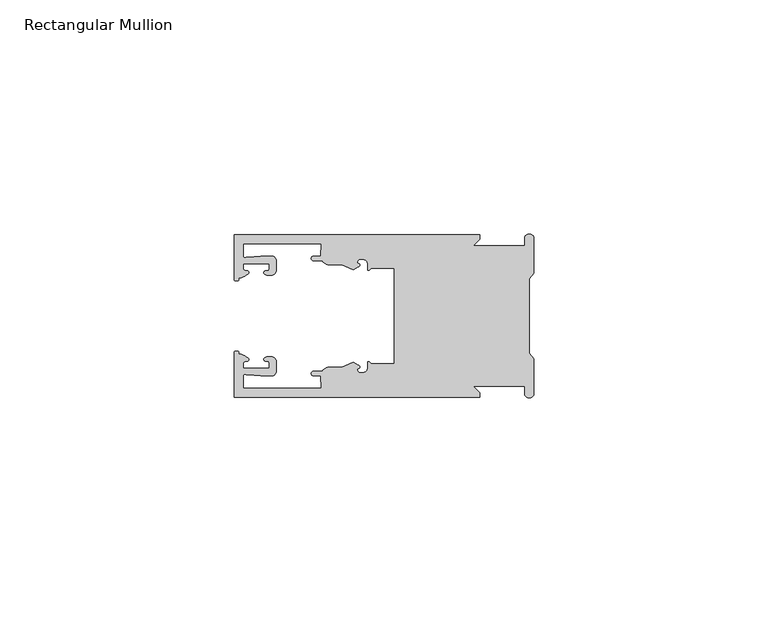
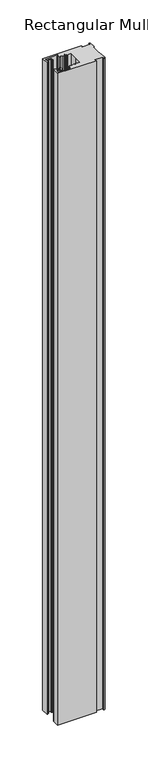
"""IFC4 building model written with IfcOpenShell, lengths in millimetres: member geometry, Rectangular Mullion."""

from ifc_helpers import new_model, si_unit, frame, origin, place, context, project, spatial, polyline, circle_curve, source, transform, mapped, element, save
from ifc_brep_helpers import plane_surface, cylinder_surface, revolved_surface, extruded_surface, spline_curve, advanced_brep


def rectangular_mullion_1d11fed4(model_context):
    return source(origin(), model_context, "Body", "AdvancedBrep", [
        advanced_brep(
        [(-11.5387897, 17.4000478, 0.0), (-64.0387868, 17.4000478, 0.0), (-64.0387868, 7.8350057, 0.0), (-63.2884687, 7.5412947, 0.0), (-62.4614154, 8.1921895, 0.0), (-62.0410649, 9.9426451, 0.0), (-62.0424168, 11.1926444, 0.0), (-56.54242, 11.1985924, 0.0), (-56.5410682, 9.9485931, 0.0), (-57.1085345, 8.7314723, 0.0), (-56.0397166, 8.6991345, 0.0), (-55.0407987, 9.7002154, 0.0), (-55.0430697, 11.8002142, 0.0), (-56.0446364, 12.7991315, 0.0), (-58.3650753, 12.7954945, 0.0), (-61.1340054, 12.5502269, 0.0), (-62.044093, 12.7426435, 0.0), (-62.0469668, 15.4000478, 0.0), (-45.4240312, 15.4000478, 0.0), (-45.5732135, 12.8000478, 0.0), (-47.0387868, 12.8000478, 0.0), (-47.0387868, 11.8000478, 0.0), (-45.2543363, 11.8000478, 0.0), (-43.6387868, 10.9000478, 0.0), (-41.0454034, 10.9000478, 0.0), (-38.5697136, 9.8718293, 0.0), (-37.5387868, 10.4670351, 0.0), (-37.6803436, 11.4201497, 0.0), (-37.0270763, 12.1583697, 0.0), (-36.2010815, 12.0127245, 0.0), (-35.54, 11.2248783, 0.0), (-35.54, 10.0, 0.0), (-34.7705791, 10.25, 0.0), (-29.79, 10.25, 0.0), (-29.79, 0.0, 0.0), (-29.79, -10.25, 0.0), (-34.7705791, -10.25, 0.0), (-35.54, -10.0, 0.0), (-35.54, -11.2248783, 0.0), (-36.2010815, -12.0127245, 0.0), (-37.0270763, -12.1583697, 0.0), (-37.6803436, -11.4201497, 0.0), (-37.5387868, -10.4670351, 0.0), (-38.5697136, -9.8718293, 0.0), (-41.0454034, -10.9000478, 0.0), (-43.6387868, -10.9000478, 0.0), (-45.2543363, -11.8000478, 0.0), (-47.0387868, -11.8000478, 0.0), (-47.0387868, -12.8000478, 0.0), (-45.5732135, -12.8000478, 0.0), (-45.4240312, -15.4000478, 0.0), (-62.0469668, -15.4000478, 0.0), (-62.044093, -12.7426435, 0.0), (-61.1340054, -12.5502269, 0.0), (-58.3650753, -12.7954945, 0.0), (-56.0446364, -12.7991314, 0.0), (-55.0430697, -11.8002142, 0.0), (-55.0407987, -9.7002154, 0.0), (-56.0397166, -8.6991345, 0.0), (-57.1085345, -8.7314723, 0.0), (-56.5410682, -9.9485931, 0.0), (-56.54242, -11.1985924, 0.0), (-62.0424168, -11.1926444, 0.0), (-62.0410649, -9.9426451, 0.0), (-62.4614154, -8.1921895, 0.0), (-63.2884687, -7.5412947, 0.0), (-64.0387868, -7.8350057, 0.0), (-64.0387868, -17.4000478, 0.0), (-11.5387897, -17.4000478, 0.0), (-11.5387897, -16.4000449, 0.0), (-12.9388346, -15.0, 0.0), (-2.0, -15.0, 0.0), (-2.0, -16.5, 0.0), (0.0, -16.5, 0.0), (0.0, -9.1160254, 0.0), (-1.0, -7.9613249, 0.0), (-1.0, 0.0, 0.0), (-1.0, 7.9613249, 0.0), (0.0, 9.1160254, 0.0), (0.0, 16.5, 0.0), (-2.0, 16.5, 0.0), (-2.0, 15.0, 0.0), (-12.9388346, 15.0, 0.0), (-11.5387897, 16.4000449, 0.0), (-11.5387897, 17.4000478, -927.6387868), (-11.5387897, 16.4000449, -927.6387868), (-12.9388346, 15.0, -927.6387868), (-2.0, 15.0, -927.6387868), (-2.0, 16.5, -927.6387868), (0.0, 16.5, -927.6387868), (0.0, 9.1160254, -927.6387868), (-1.0, 7.9613249, -927.6387868), (-1.0, 0.0, -927.6387868), (-1.0, -7.9613249, -927.6387868), (0.0, -9.1160254, -927.6387868), (0.0, -16.5, -927.6387868), (-2.0, -16.5, -927.6387868), (-2.0, -15.0, -927.6387868), (-12.9388346, -15.0, -927.6387868), (-11.5387897, -16.4000449, -927.6387868), (-11.5387897, -17.4000478, -927.6387868), (-64.0387868, -17.4000478, -927.6387868), (-64.0387868, -7.8350057, -927.6387868), (-63.2884687, -7.5412947, -927.6387868), (-62.4614154, -8.1921895, -927.6387868), (-62.0410649, -9.9426451, -927.6387868), (-62.0424168, -11.1926444, -927.6387868), (-56.54242, -11.1985924, -927.6387868), (-56.5410682, -9.9485931, -927.6387868), (-57.1085345, -8.7314723, -927.6387868), (-56.0397166, -8.6991345, -927.6387868), (-55.0407987, -9.7002154, -927.6387868), (-55.0430697, -11.8002142, -927.6387868), (-56.0446364, -12.7991315, -927.6387868), (-58.3650753, -12.7954945, -927.6387868), (-61.1340054, -12.5502269, -927.6387868), (-62.044093, -12.7426435, -927.6387868), (-62.0469668, -15.4000478, -927.6387868), (-45.4240312, -15.4000478, -927.6387868), (-45.5732135, -12.8000478, -927.6387868), (-47.0387868, -12.8000478, -927.6387868), (-47.0387868, -11.8000478, -927.6387868), (-45.2543363, -11.8000478, -927.6387868), (-43.6387868, -10.9000478, -927.6387868), (-41.0454034, -10.9000478, -927.6387868), (-38.5697136, -9.8718293, -927.6387868), (-37.5387868, -10.4670351, -927.6387868), (-37.6803436, -11.4201497, -927.6387868), (-37.0270763, -12.1583697, -927.6387868), (-36.2010815, -12.0127245, -927.6387868), (-35.54, -11.2248783, -927.6387868), (-35.54, -10.0, -927.6387868), (-34.7705791, -10.25, -927.6387868), (-29.79, -10.25, -927.6387868), (-29.79, 0.0, -927.6387868), (-29.79, 10.25, -927.6387868), (-34.7705791, 10.25, -927.6387868), (-35.54, 10.0, -927.6387868), (-35.54, 11.2248783, -927.6387868), (-36.2010815, 12.0127245, -927.6387868), (-37.0270763, 12.1583697, -927.6387868), (-37.6803436, 11.4201497, -927.6387868), (-37.5387868, 10.4670351, -927.6387868), (-38.5697136, 9.8718293, -927.6387868), (-41.0454034, 10.9000478, -927.6387868), (-43.6387868, 10.9000478, -927.6387868), (-45.2543363, 11.8000478, -927.6387868), (-47.0387868, 11.8000478, -927.6387868), (-47.0387868, 12.8000478, -927.6387868), (-45.5732135, 12.8000478, -927.6387868), (-45.4240312, 15.4000478, -927.6387868), (-62.0469668, 15.4000478, -927.6387868), (-62.044093, 12.7426435, -927.6387868), (-61.1340054, 12.5502269, -927.6387868), (-58.3650753, 12.7954945, -927.6387868), (-56.0446364, 12.7991314, -927.6387868), (-55.0430697, 11.8002142, -927.6387868), (-55.0407987, 9.7002154, -927.6387868), (-56.0397166, 8.6991345, -927.6387868), (-57.1085345, 8.7314723, -927.6387868), (-56.5410682, 9.9485931, -927.6387868), (-56.54242, 11.1985924, -927.6387868), (-62.0424168, 11.1926444, -927.6387868), (-62.0410649, 9.9426451, -927.6387868), (-62.4614154, 8.1921895, -927.6387868), (-63.2884687, 7.5412947, -927.6387868), (-64.0387868, 7.8350057, -927.6387868), (-64.0387868, 17.4000478, -927.6387868)],
        [
            (0, 1),
            (1, 2),
            (2, 3, spline_curve(3, [(-64.0387868, 7.8350057, 0.0), (-64.038491377, 7.561831774, 0.0), (-63.788385325, 7.463928087, 0.0), (-63.2884687, 7.5412947, 0.0)], [4, 4], [0.0, 0.0019169337574178654])),
            (3, 4, spline_curve(3, [(-63.2884687, 7.5412947, 0.0), (-63.057760917, 7.582232011, 0.0), (-63.018445067, 7.725390894, 0.0), (-63.019925494, 8.056436881, 0.0), (-63.103444208, 8.236386866, 0.0), (-62.4614154, 8.1921895, 0.0)], [4, 2, 4], [0.0, 0.0010199524164107188, 0.0024874514725970356])),
            (4, 5, spline_curve(3, [(-62.4614154, 8.1921895, 0.0), (-60.988497673, 8.880962536, 0.0), (-60.794045122, 9.192776957, 0.0), (-60.949808078, 9.57023562, 0.0), (-61.145214014, 9.682771697, 0.0), (-61.665835706, 9.714019003, 0.0), (-61.965242574, 9.660891484, 0.0), (-62.0410649, 9.9426451, 0.0)], [4, 2, 2, 4], [0.0, 0.003269869179570428, 0.005490050486237203, 0.0073545767114364426])),
            (5, 6),
            (6, 7),
            (7, 8),
            (8, 9, spline_curve(3, [(-56.5410682, 9.9485931, 0.0), (-56.634838635, 9.597117104, 0.0), (-56.904956774, 9.698238818, 0.0), (-57.324171444, 9.731086209, 0.0), (-57.45969165, 9.646199885, 0.0), (-57.729003352, 9.346016011, 0.0), (-57.859492582, 9.113082158, 0.0), (-57.1085345, 8.7314723, 0.0)], [4, 2, 2, 4], [0.0, 0.001593963049934732, 0.0033360256320283306, 0.005339140673503943])),
            (9, 10),
            (10, 11, circle_curve(frame((-56.0407981, 9.699134, 0.0), z_axis=(0.0, 0.0, 1.0), x_axis=(0.0010814451158627505, -0.9999994152380598, 0.0)), 1.0)),
            (11, 12),
            (12, 13, circle_curve(frame((-56.0430691, 11.7991327, 0.0), z_axis=(0.0, 0.0, 1.0), x_axis=(0.0010814451158627505, -0.9999994152380598, 0.0)), 1.0)),
            (13, 14),
            (14, 15),
            (15, 16, spline_curve(3, [(-61.1340054, 12.5502269, 0.0), (-61.605485428, 12.508463911, 0.0), (-61.992111419, 12.303164326, 0.0), (-62.044093, 12.7426435, 0.0)], [4, 4], [0.0, 0.0014803385355886016])),
            (16, 17),
            (17, 18),
            (18, 19),
            (19, 20),
            (20, 21, circle_curve(frame((-47.0387868, 12.3000478, 0.0), z_axis=(0.0, 0.0, 1.0), x_axis=(0.0, -1.0, 0.0)), 0.5)),
            (21, 22),
            (22, 23, circle_curve(frame((-43.6387868, 12.8000478, 0.0), z_axis=(0.0, 0.0, 1.0), x_axis=(0.0, -1.0, 0.0)), 1.9)),
            (23, 24),
            (24, 25),
            (25, 26),
            (26, 27, spline_curve(3, [(-37.5387868, 10.4670351, 0.0), (-36.973919853, 10.833863985, 0.0), (-37.198159645, 11.135696286, 0.0), (-37.587892011, 11.260246073, 0.0), (-37.754584192, 11.180452419, 0.0), (-37.6803436, 11.4201497, 0.0)], [4, 2, 4], [0.0, 0.0019283703160353726, 0.003394584635652914])),
            (27, 28, circle_curve(frame((-37.0434863, 11.5147359, 0.0), z_axis=(0.0, 0.0, -1.0), x_axis=(0.0, -1.0, 0.0)), 0.643843)),
            (28, 29),
            (29, 30, circle_curve(frame((-36.34, 11.2248783, 0.0), z_axis=(0.0, 0.0, -1.0), x_axis=(0.0, -1.0, 0.0)), 0.8)),
            (30, 31),
            (31, 32, spline_curve(3, [(-35.54, 10.0, 0.0), (-35.440000238, 9.598293201, 0.0), (-35.183526594, 9.681626535, 0.0), (-34.7705791, 10.25, 0.0)], [4, 4], [0.0, 0.0027473296990141553])),
            (32, 33),
            (33, 34),
            (34, 35),
            (35, 36),
            (36, 37, spline_curve(3, [(-34.7705791, -10.25, 0.0), (-35.183526594, -9.681626535, 0.0), (-35.440000238, -9.598293201, 0.0), (-35.54, -10.0, 0.0)], [4, 4], [0.0, 0.0027473296990141553])),
            (37, 38),
            (38, 39, circle_curve(frame((-36.34, -11.2248783, 0.0), z_axis=(0.0, 0.0, -1.0), x_axis=(0.0, 1.0, 0.0)), 0.8)),
            (39, 40),
            (40, 41, circle_curve(frame((-37.0434863, -11.5147359, 0.0), z_axis=(0.0, 0.0, -1.0), x_axis=(0.0, 1.0, 0.0)), 0.643843)),
            (41, 42, spline_curve(3, [(-37.6803436, -11.4201497, 0.0), (-37.754584192, -11.180452419, 0.0), (-37.587892011, -11.260246073, 0.0), (-37.198159645, -11.135696286, 0.0), (-36.973919853, -10.833863985, 0.0), (-37.5387868, -10.4670351, 0.0)], [4, 2, 4], [0.0, 0.0014662143196175414, 0.003394584635652914])),
            (42, 43),
            (43, 44),
            (44, 45),
            (45, 46, circle_curve(frame((-43.6387868, -12.8000478, 0.0), z_axis=(0.0, 0.0, 1.0), x_axis=(0.0, 1.0, 0.0)), 1.9)),
            (46, 47),
            (47, 48, circle_curve(frame((-47.0387868, -12.3000478, 0.0), z_axis=(0.0, 0.0, 1.0), x_axis=(0.0, 1.0, 0.0)), 0.5)),
            (48, 49),
            (49, 50),
            (50, 51),
            (51, 52),
            (52, 53, spline_curve(3, [(-62.044093, -12.7426435, 0.0), (-61.992111419, -12.303164326, 0.0), (-61.605485428, -12.508463911, 0.0), (-61.1340054, -12.5502269, 0.0)], [4, 4], [0.0, 0.0014803385355886016])),
            (53, 54),
            (54, 55),
            (55, 56, circle_curve(frame((-56.0430691, -11.7991327, 0.0), z_axis=(0.0, 0.0, 1.0), x_axis=(0.001081445115855867, 0.9999994152380598, 0.0)), 1.0)),
            (56, 57),
            (57, 58, circle_curve(frame((-56.0407981, -9.699134, 0.0), z_axis=(0.0, 0.0, 1.0), x_axis=(0.001081445115855867, 0.9999994152380598, 0.0)), 1.0)),
            (58, 59),
            (59, 60, spline_curve(3, [(-57.1085345, -8.7314723, 0.0), (-57.859492582, -9.113082158, 0.0), (-57.729003352, -9.346016011, 0.0), (-57.45969165, -9.646199885, 0.0), (-57.324171444, -9.731086209, 0.0), (-56.904956774, -9.698238818, 0.0), (-56.634838635, -9.597117104, 0.0), (-56.5410682, -9.9485931, 0.0)], [4, 2, 2, 4], [0.0, 0.002003115041475612, 0.0037451776235692107, 0.005339140673503943])),
            (60, 61),
            (61, 62),
            (62, 63),
            (63, 64, spline_curve(3, [(-62.0410649, -9.9426451, 0.0), (-61.965242574, -9.660891484, 0.0), (-61.665835706, -9.714019003, 0.0), (-61.145214014, -9.682771697, 0.0), (-60.949808078, -9.57023562, 0.0), (-60.794045122, -9.192776957, 0.0), (-60.988497673, -8.880962536, 0.0), (-62.4614154, -8.1921895, 0.0)], [4, 2, 2, 4], [0.0, 0.0018645262251992395, 0.004084707531866015, 0.0073545767114364426])),
            (64, 65, spline_curve(3, [(-62.4614154, -8.1921895, 0.0), (-63.103444208, -8.236386866, 0.0), (-63.019925494, -8.056436881, 0.0), (-63.018445067, -7.725390894, 0.0), (-63.057760917, -7.582232011, 0.0), (-63.2884687, -7.5412947, 0.0)], [4, 2, 4], [0.0, 0.0014674990561863168, 0.0024874514725970356])),
            (65, 66, spline_curve(3, [(-63.2884687, -7.5412947, 0.0), (-63.788385325, -7.463928087, 0.0), (-64.038491377, -7.561831774, 0.0), (-64.0387868, -7.8350057, 0.0)], [4, 4], [0.0, 0.0019169337574178654])),
            (66, 67),
            (67, 68),
            (68, 69),
            (69, 70),
            (70, 71),
            (71, 72),
            (72, 73, circle_curve(frame((-1.0, -16.5, 0.0), z_axis=(0.0, 0.0, 1.0), x_axis=(0.0, 1.0, 0.0)), 1.0)),
            (73, 74),
            (74, 75),
            (75, 76),
            (76, 77),
            (77, 78),
            (78, 79),
            (79, 80, circle_curve(frame((-1.0, 16.5, 0.0), z_axis=(0.0, 0.0, 1.0), x_axis=(0.0, -1.0, 0.0)), 1.0)),
            (80, 81),
            (81, 82),
            (82, 83),
            (83, 0),
            (84, 85),
            (85, 86),
            (86, 87),
            (87, 88),
            (88, 89, circle_curve(frame((-1.0, 16.5, -927.6387868), z_axis=(0.0, 0.0, -1.0), x_axis=(0.0, -1.0, 0.0)), 1.0)),
            (89, 90),
            (90, 91),
            (91, 92),
            (92, 93),
            (93, 94),
            (94, 95),
            (95, 96, circle_curve(frame((-1.0, -16.5, -927.6387868), z_axis=(0.0, 0.0, -1.0), x_axis=(0.0, 1.0, 0.0)), 1.0)),
            (96, 97),
            (97, 98),
            (98, 99),
            (99, 100),
            (100, 101),
            (101, 102),
            (102, 103, spline_curve(3, [(-64.0387868, -7.8350057, -927.6387868), (-64.038491377, -7.561831774, -927.6387868), (-63.788385325, -7.463928087, -927.6387868), (-63.2884687, -7.5412947, -927.6387868)], [4, 4], [0.0, 0.0019169337574178654])),
            (103, 104, spline_curve(3, [(-63.2884687, -7.5412947, -927.6387868), (-63.057760917, -7.582232011, -927.6387868), (-63.018445067, -7.725390894, -927.6387868), (-63.019925494, -8.056436881, -927.6387868), (-63.103444208, -8.236386866, -927.6387868), (-62.4614154, -8.1921895, -927.6387868)], [4, 2, 4], [0.0, 0.0010199524164107188, 0.0024874514725970356])),
            (104, 105, spline_curve(3, [(-62.4614154, -8.1921895, -927.6387868), (-60.988497673, -8.880962536, -927.6387868), (-60.794045122, -9.192776957, -927.6387868), (-60.949808078, -9.57023562, -927.6387868), (-61.145214014, -9.682771697, -927.6387868), (-61.665835706, -9.714019003, -927.6387868), (-61.965242574, -9.660891484, -927.6387868), (-62.0410649, -9.9426451, -927.6387868)], [4, 2, 2, 4], [0.0, 0.003269869179570428, 0.005490050486237203, 0.0073545767114364426])),
            (105, 106),
            (106, 107),
            (107, 108),
            (108, 109, spline_curve(3, [(-56.5410682, -9.9485931, -927.6387868), (-56.634838635, -9.597117104, -927.6387868), (-56.904956774, -9.698238818, -927.6387868), (-57.324171444, -9.731086209, -927.6387868), (-57.45969165, -9.646199885, -927.6387868), (-57.729003352, -9.346016011, -927.6387868), (-57.859492582, -9.113082158, -927.6387868), (-57.1085345, -8.7314723, -927.6387868)], [4, 2, 2, 4], [0.0, 0.001593963049934732, 0.0033360256320283306, 0.005339140673503943])),
            (109, 110),
            (110, 111, circle_curve(frame((-56.0407981, -9.699134, -927.6387868), z_axis=(0.0, 0.0, -1.0), x_axis=(0.001081445115855867, 0.9999994152380598, 0.0)), 1.0)),
            (111, 112),
            (112, 113, circle_curve(frame((-56.0430691, -11.7991327, -927.6387868), z_axis=(0.0, 0.0, -1.0), x_axis=(0.001081445115855867, 0.9999994152380598, 0.0)), 1.0)),
            (113, 114),
            (114, 115),
            (115, 116, spline_curve(3, [(-61.1340054, -12.5502269, -927.6387868), (-61.605485428, -12.508463911, -927.6387868), (-61.992111419, -12.303164326, -927.6387868), (-62.044093, -12.7426435, -927.6387868)], [4, 4], [0.0, 0.0014803385355886016])),
            (116, 117),
            (117, 118),
            (118, 119),
            (119, 120),
            (120, 121, circle_curve(frame((-47.0387868, -12.3000478, -927.6387868), z_axis=(0.0, 0.0, -1.0), x_axis=(0.0, 1.0, 0.0)), 0.5)),
            (121, 122),
            (122, 123, circle_curve(frame((-43.6387868, -12.8000478, -927.6387868), z_axis=(0.0, 0.0, -1.0), x_axis=(0.0, 1.0, 0.0)), 1.9)),
            (123, 124),
            (124, 125),
            (125, 126),
            (126, 127, spline_curve(3, [(-37.5387868, -10.4670351, -927.6387868), (-36.973919853, -10.833863985, -927.6387868), (-37.198159645, -11.135696286, -927.6387868), (-37.587892011, -11.260246073, -927.6387868), (-37.754584192, -11.180452419, -927.6387868), (-37.6803436, -11.4201497, -927.6387868)], [4, 2, 4], [0.0, 0.0019283703160353726, 0.003394584635652914])),
            (127, 128, circle_curve(frame((-37.0434863, -11.5147359, -927.6387868), z_axis=(0.0, 0.0, 1.0), x_axis=(0.0, 1.0, 0.0)), 0.643843)),
            (128, 129),
            (129, 130, circle_curve(frame((-36.34, -11.2248783, -927.6387868), z_axis=(0.0, 0.0, 1.0), x_axis=(0.0, 1.0, 0.0)), 0.8)),
            (130, 131),
            (131, 132, spline_curve(3, [(-35.54, -10.0, -927.6387868), (-35.440000238, -9.598293201, -927.6387868), (-35.183526594, -9.681626535, -927.6387868), (-34.7705791, -10.25, -927.6387868)], [4, 4], [0.0, 0.0027473296990141553])),
            (132, 133),
            (133, 134),
            (134, 135),
            (135, 136),
            (136, 137, spline_curve(3, [(-34.7705791, 10.25, -927.6387868), (-35.183526594, 9.681626535, -927.6387868), (-35.440000238, 9.598293201, -927.6387868), (-35.54, 10.0, -927.6387868)], [4, 4], [0.0, 0.0027473296990141553])),
            (137, 138),
            (138, 139, circle_curve(frame((-36.34, 11.2248783, -927.6387868), z_axis=(0.0, 0.0, 1.0), x_axis=(0.0, -1.0, 0.0)), 0.8)),
            (139, 140),
            (140, 141, circle_curve(frame((-37.0434863, 11.5147359, -927.6387868), z_axis=(0.0, 0.0, 1.0), x_axis=(0.0, -1.0, 0.0)), 0.643843)),
            (141, 142, spline_curve(3, [(-37.6803436, 11.4201497, -927.6387868), (-37.754584192, 11.180452419, -927.6387868), (-37.587892011, 11.260246073, -927.6387868), (-37.198159645, 11.135696286, -927.6387868), (-36.973919853, 10.833863985, -927.6387868), (-37.5387868, 10.4670351, -927.6387868)], [4, 2, 4], [0.0, 0.0014662143196175414, 0.003394584635652914])),
            (142, 143),
            (143, 144),
            (144, 145),
            (145, 146, circle_curve(frame((-43.6387868, 12.8000478, -927.6387868), z_axis=(0.0, 0.0, -1.0), x_axis=(0.0, -1.0, 0.0)), 1.9)),
            (146, 147),
            (147, 148, circle_curve(frame((-47.0387868, 12.3000478, -927.6387868), z_axis=(0.0, 0.0, -1.0), x_axis=(0.0, -1.0, 0.0)), 0.5)),
            (148, 149),
            (149, 150),
            (150, 151),
            (151, 152),
            (152, 153, spline_curve(3, [(-62.044093, 12.7426435, -927.6387868), (-61.992111419, 12.303164326, -927.6387868), (-61.605485428, 12.508463911, -927.6387868), (-61.1340054, 12.5502269, -927.6387868)], [4, 4], [0.0, 0.0014803385355886016])),
            (153, 154),
            (154, 155),
            (155, 156, circle_curve(frame((-56.0430691, 11.7991327, -927.6387868), z_axis=(0.0, 0.0, -1.0), x_axis=(0.0010814451158627505, -0.9999994152380598, 0.0)), 1.0)),
            (156, 157),
            (157, 158, circle_curve(frame((-56.0407981, 9.699134, -927.6387868), z_axis=(0.0, 0.0, -1.0), x_axis=(0.0010814451158627505, -0.9999994152380598, 0.0)), 1.0)),
            (158, 159),
            (159, 160, spline_curve(3, [(-57.1085345, 8.7314723, -927.6387868), (-57.859492582, 9.113082158, -927.6387868), (-57.729003352, 9.346016011, -927.6387868), (-57.45969165, 9.646199885, -927.6387868), (-57.324171444, 9.731086209, -927.6387868), (-56.904956774, 9.698238818, -927.6387868), (-56.634838635, 9.597117104, -927.6387868), (-56.5410682, 9.9485931, -927.6387868)], [4, 2, 2, 4], [0.0, 0.002003115041475612, 0.0037451776235692107, 0.005339140673503943])),
            (160, 161),
            (161, 162),
            (162, 163),
            (163, 164, spline_curve(3, [(-62.0410649, 9.9426451, -927.6387868), (-61.965242574, 9.660891484, -927.6387868), (-61.665835706, 9.714019003, -927.6387868), (-61.145214014, 9.682771697, -927.6387868), (-60.949808078, 9.57023562, -927.6387868), (-60.794045122, 9.192776957, -927.6387868), (-60.988497673, 8.880962536, -927.6387868), (-62.4614154, 8.1921895, -927.6387868)], [4, 2, 2, 4], [0.0, 0.0018645262251992395, 0.004084707531866015, 0.0073545767114364426])),
            (164, 165, spline_curve(3, [(-62.4614154, 8.1921895, -927.6387868), (-63.103444208, 8.236386866, -927.6387868), (-63.019925494, 8.056436881, -927.6387868), (-63.018445067, 7.725390894, -927.6387868), (-63.057760917, 7.582232011, -927.6387868), (-63.2884687, 7.5412947, -927.6387868)], [4, 2, 4], [0.0, 0.0014674990561863168, 0.0024874514725970356])),
            (165, 166, spline_curve(3, [(-63.2884687, 7.5412947, -927.6387868), (-63.788385325, 7.463928087, -927.6387868), (-64.038491377, 7.561831774, -927.6387868), (-64.0387868, 7.8350057, -927.6387868)], [4, 4], [0.0, 0.0019169337574178654])),
            (166, 167),
            (167, 84),
            (0, 84),
            (167, 1),
            (166, 2),
            (165, 3),
            (164, 4),
            (163, 5),
            (162, 6),
            (161, 7),
            (160, 8),
            (159, 9),
            (158, 10),
            (157, 11),
            (156, 12),
            (155, 13),
            (154, 14),
            (153, 15),
            (152, 16),
            (151, 17),
            (150, 18),
            (149, 19),
            (148, 20),
            (147, 21),
            (146, 22),
            (145, 23),
            (144, 24),
            (143, 25),
            (142, 26),
            (141, 27),
            (140, 28),
            (139, 29),
            (138, 30),
            (137, 31),
            (136, 32),
            (135, 33),
            (134, 34),
            (133, 35),
            (132, 36),
            (131, 37),
            (130, 38),
            (129, 39),
            (128, 40),
            (127, 41),
            (126, 42),
            (125, 43),
            (124, 44),
            (123, 45),
            (122, 46),
            (121, 47),
            (120, 48),
            (119, 49),
            (118, 50),
            (117, 51),
            (116, 52),
            (115, 53),
            (114, 54),
            (113, 55),
            (112, 56),
            (111, 57),
            (110, 58),
            (109, 59),
            (108, 60),
            (107, 61),
            (106, 62),
            (105, 63),
            (104, 64),
            (103, 65),
            (102, 66),
            (101, 67),
            (100, 68),
            (99, 69),
            (98, 70),
            (97, 71),
            (96, 72),
            (95, 73),
            (94, 74),
            (93, 75),
            (92, 76),
            (91, 77),
            (90, 78),
            (89, 79),
            (88, 80),
            (87, 81),
            (86, 82),
            (85, 83),
        ],
        [
            plane_surface(frame((0.0, -66.3605898, 0.0), z_axis=(0.0, 0.0, 1.0), x_axis=(-1.0, 0.0, 0.0))),
            plane_surface(frame((0.0, -66.3605898, -927.6387868), z_axis=(0.0, 0.0, -1.0), x_axis=(-1.0, 0.0, 0.0))),
            plane_surface(frame((-11.5387897, 17.4000478, 0.0), z_axis=(0.0, 1.0, 0.0), x_axis=(0.0, 0.0, -1.0))),
            plane_surface(frame((-64.0387868, 17.4000478, 0.0), z_axis=(-1.0, 0.0, 0.0), x_axis=(0.0, 0.0, -1.0))),
            extruded_surface(spline_curve(3, [(-64.0387868, 7.8350057, -927.6387868), (-64.038491377, 7.561831774, -927.6387868), (-63.788385325, 7.463928087, -927.6387868), (-63.2884687, 7.5412947, -927.6387868)], [4, 4], [0.0, 0.0019169337574178654]), (0.0, 0.0, 927.6387868), 927.6387868),
            extruded_surface(spline_curve(3, [(-63.2884687, 7.5412947, -927.6387868), (-63.057760917, 7.582232011, -927.6387868), (-63.018445067, 7.725390894, -927.6387868), (-63.019925494, 8.056436881, -927.6387868), (-63.103444208, 8.236386866, -927.6387868), (-62.4614154, 8.1921895, -927.6387868)], [4, 2, 4], [0.0, 0.0010199524164107188, 0.0024874514725970356]), (0.0, 0.0, 927.6387868), 927.6387868),
            extruded_surface(spline_curve(3, [(-62.4614154, 8.1921895, -927.6387868), (-60.988497673, 8.880962536, -927.6387868), (-60.794045122, 9.192776957, -927.6387868), (-60.949808078, 9.57023562, -927.6387868), (-61.145214014, 9.682771697, -927.6387868), (-61.665835706, 9.714019003, -927.6387868), (-61.965242574, 9.660891484, -927.6387868), (-62.0410649, 9.9426451, -927.6387868)], [4, 2, 2, 4], [0.0, 0.003269869179570428, 0.005490050486237203, 0.0073545767114364426]), (0.0, 0.0, 927.6387868), 927.6387868),
            plane_surface(frame((-62.0410649, 9.9426451, 0.0), z_axis=(0.9999994152380598, 0.0010814451158593665, 0.0), x_axis=(0.0, 0.0, -1.0))),
            plane_surface(frame((-62.0424168, 11.1926444, 0.0), z_axis=(0.0010814451158611391, -0.9999994152380598, 0.0), x_axis=(0.0, 0.0, -1.0))),
            plane_surface(frame((-56.54242, 11.1985924, 0.0), z_axis=(-0.9999994152380598, -0.0010814451158584516, 0.0), x_axis=(0.0, 0.0, -1.0))),
            extruded_surface(spline_curve(3, [(-56.5410682, 9.9485931, -927.6387868), (-56.634838635, 9.597117104, -927.6387868), (-56.904956774, 9.698238818, -927.6387868), (-57.324171444, 9.731086209, -927.6387868), (-57.45969165, 9.646199885, -927.6387868), (-57.729003352, 9.346016011, -927.6387868), (-57.859492582, 9.113082158, -927.6387868), (-57.1085345, 8.7314723, -927.6387868)], [4, 2, 2, 4], [0.0, 0.001593963049934732, 0.0033360256320283306, 0.005339140673503943]), (0.0, 0.0, 927.6387868), 927.6387868),
            plane_surface(frame((-57.1085345, 8.7314723, 0.0), z_axis=(-0.030241832452869922, -0.9995426111826813, 0.0), x_axis=(0.0, 0.0, -1.0))),
            cylinder_surface(frame((-56.0407981, 9.699134, 0.0), z_axis=(0.0, 0.0, 1.0000000000000002), x_axis=(0.0010814451158627505, -0.9999994152380598, 0.0)), 1.0),
            plane_surface(frame((-55.0407987, 9.7002154, 0.0), z_axis=(0.9999994152380598, 0.001081445115858722, 0.0), x_axis=(0.0, 0.0, -1.0))),
            cylinder_surface(frame((-56.0430691, 11.7991327, 0.0), z_axis=(0.0, 0.0, 1.0000000000000002), x_axis=(0.0010814451158627505, -0.9999994152380598, 0.0)), 1.0),
            plane_surface(frame((-56.0446364, 12.7991314, 0.0), z_axis=(-0.0015673183327907744, 0.9999987717558677, 0.0), x_axis=(0.0, 0.0, -1.0))),
            plane_surface(frame((-58.3650753, 12.7954945, 0.0), z_axis=(-0.08823302167299531, 0.9960998614026874, 0.0), x_axis=(0.0, 0.0, -1.0))),
            extruded_surface(spline_curve(3, [(-61.1340054, 12.5502269, -927.6387868), (-61.605485428, 12.508463911, -927.6387868), (-61.992111419, 12.303164326, -927.6387868), (-62.044093, 12.7426435, -927.6387868)], [4, 4], [0.0, 0.0014803385355886016]), (0.0, 0.0, 927.6387868), 927.6387868),
            plane_surface(frame((-62.044093, 12.7426435, 0.0), z_axis=(0.9999994152380598, 0.0010814451158597813, 0.0), x_axis=(0.0, 0.0, -1.0))),
            plane_surface(frame((-62.0469668, 15.4000478, 0.0), z_axis=(0.0, -1.0, 0.0), x_axis=(0.0, 0.0, -1.0))),
            plane_surface(frame((-45.4240312, 15.4000478, 0.0), z_axis=(-0.9983579461523547, 0.05728360458675776, 0.0), x_axis=(0.0, 0.0, -1.0))),
            plane_surface(frame((-45.5732135, 12.8000478, 0.0), z_axis=(0.0, 1.0, 0.0), x_axis=(0.0, 0.0, -1.0))),
            cylinder_surface(frame((-47.0387868, 12.3000478, 0.0), z_axis=(0.0, 0.0, 1.0), x_axis=(0.0, -1.0, 0.0)), 0.5),
            plane_surface(frame((-47.0387868, 11.8000478, 0.0), z_axis=(0.0, -1.0, 0.0), x_axis=(0.0, 0.0, -1.0))),
            cylinder_surface(frame((-43.6387868, 12.8000478, 0.0), z_axis=(0.0, 0.0, 1.0), x_axis=(0.0, -1.0, 0.0)), 1.9),
            plane_surface(frame((-43.6387868, 10.9000478, 0.0), z_axis=(0.0, -1.0, 0.0), x_axis=(0.0, 0.0, -1.0))),
            plane_surface(frame((-41.0454034, 10.9000478, 0.0), z_axis=(-0.3835602140750569, -0.9235158700199453, 0.0), x_axis=(0.0, 0.0, -1.0))),
            plane_surface(frame((-38.5697136, 9.8718293, 0.0), z_axis=(0.5000000000252295, -0.8660254037698725, 0.0), x_axis=(0.0, 0.0, -1.0))),
            extruded_surface(spline_curve(3, [(-37.5387868, 10.4670351, -927.6387868), (-36.973919853, 10.833863985, -927.6387868), (-37.198159645, 11.135696286, -927.6387868), (-37.587892011, 11.260246073, -927.6387868), (-37.754584192, 11.180452419, -927.6387868), (-37.6803436, 11.4201497, -927.6387868)], [4, 2, 4], [0.0, 0.0019283703160353726, 0.003394584635652914]), (0.0, 0.0, 927.6387868), 927.6387868),
            revolved_surface(polyline([(-37.0434863, 10.8708929, -927.6387868), (-37.0434863, 10.8708929, 0.0)]), (-37.0434863, 11.5147359, 0.0), (0.0, 0.0, -1.0)),
            plane_surface(frame((-37.0270763, 12.1583697, 0.0), z_axis=(-0.17364817767050408, -0.984807753011578, 0.0), x_axis=(0.0, 0.0, -1.0))),
            revolved_surface(polyline([(-36.34, 10.4248783, -927.6387868), (-36.34, 10.4248783, 0.0)]), (-36.34, 11.2248783, 0.0), (0.0, 0.0, -1.0)),
            plane_surface(frame((-35.54, 11.2248783, 0.0), z_axis=(-1.0, 0.0, 0.0), x_axis=(0.0, 0.0, -1.0))),
            extruded_surface(spline_curve(3, [(-35.54, 10.0, -927.6387868), (-35.440000238, 9.598293201, -927.6387868), (-35.183526594, 9.681626535, -927.6387868), (-34.7705791, 10.25, -927.6387868)], [4, 4], [0.0, 0.0027473296990141553]), (0.0, 0.0, 927.6387868), 927.6387868),
            plane_surface(frame((-34.7705791, 10.25, 0.0), z_axis=(0.0, -1.0, 0.0), x_axis=(0.0, 0.0, -1.0))),
            plane_surface(frame((-29.79, 10.25, 0.0), z_axis=(-1.0, 0.0, 0.0), x_axis=(0.0, 0.0, -1.0))),
            plane_surface(frame((-29.79, 0.0, 0.0), z_axis=(-1.0, 0.0, 0.0), x_axis=(0.0, 0.0, -1.0))),
            plane_surface(frame((-29.79, -10.25, 0.0), z_axis=(0.0, 1.0, 0.0), x_axis=(0.0, 0.0, -1.0))),
            extruded_surface(spline_curve(3, [(-34.7705791, -10.25, -927.6387868), (-35.183526594, -9.681626535, -927.6387868), (-35.440000238, -9.598293201, -927.6387868), (-35.54, -10.0, -927.6387868)], [4, 4], [0.0, 0.0027473296990141553]), (0.0, 0.0, 927.6387868), 927.6387868),
            plane_surface(frame((-35.54, -10.0, 0.0), z_axis=(-1.0, 0.0, 0.0), x_axis=(0.0, 0.0, -1.0))),
            revolved_surface(polyline([(-36.34, -10.4248783, -927.6387868), (-36.34, -10.4248783, 0.0)]), (-36.34, -11.2248783, 0.0), (0.0, 0.0, -1.0)),
            plane_surface(frame((-36.2010815, -12.0127245, 0.0), z_axis=(-0.17364817767051083, 0.9848077530115767, 0.0), x_axis=(0.0, 0.0, -1.0))),
            revolved_surface(polyline([(-37.0434863, -10.8708929, -927.6387868), (-37.0434863, -10.8708929, 0.0)]), (-37.0434863, -11.5147359, 0.0), (0.0, 0.0, -1.0)),
            extruded_surface(spline_curve(3, [(-37.6803436, -11.4201497, -927.6387868), (-37.754584192, -11.180452419, -927.6387868), (-37.587892011, -11.260246073, -927.6387868), (-37.198159645, -11.135696286, -927.6387868), (-36.973919853, -10.833863985, -927.6387868), (-37.5387868, -10.4670351, -927.6387868)], [4, 2, 4], [0.0, 0.0014662143196175414, 0.003394584635652914]), (0.0, 0.0, 927.6387868), 927.6387868),
            plane_surface(frame((-37.5387868, -10.4670351, 0.0), z_axis=(0.5000000000252234, 0.8660254037698759, 0.0), x_axis=(0.0, 0.0, -1.0))),
            plane_surface(frame((-38.5697136, -9.8718293, 0.0), z_axis=(-0.38356021407506324, 0.9235158700199426, 0.0), x_axis=(0.0, 0.0, -1.0))),
            plane_surface(frame((-41.0454034, -10.9000478, 0.0), z_axis=(0.0, 1.0, 0.0), x_axis=(0.0, 0.0, -1.0))),
            cylinder_surface(frame((-43.6387868, -12.8000478, 0.0), z_axis=(0.0, 0.0, 1.0), x_axis=(0.0, 1.0, 0.0)), 1.9),
            plane_surface(frame((-45.2543363, -11.8000478, 0.0), z_axis=(0.0, 1.0, 0.0), x_axis=(0.0, 0.0, -1.0))),
            cylinder_surface(frame((-47.0387868, -12.3000478, 0.0), z_axis=(0.0, 0.0, 1.0), x_axis=(0.0, 1.0, 0.0)), 0.5),
            plane_surface(frame((-47.0387868, -12.8000478, 0.0), z_axis=(0.0, -1.0, 0.0), x_axis=(0.0, 0.0, -1.0))),
            plane_surface(frame((-45.5732135, -12.8000478, 0.0), z_axis=(-0.9983579461523543, -0.05728360458676463, 0.0), x_axis=(0.0, 0.0, -1.0))),
            plane_surface(frame((-45.4240312, -15.4000478, 0.0), z_axis=(0.0, 1.0, 0.0), x_axis=(0.0, 0.0, -1.0))),
            plane_surface(frame((-62.0469668, -15.4000478, 0.0), z_axis=(0.9999994152380598, -0.001081445115852898, 0.0), x_axis=(0.0, 0.0, -1.0))),
            extruded_surface(spline_curve(3, [(-62.044093, -12.7426435, -927.6387868), (-61.992111419, -12.303164326, -927.6387868), (-61.605485428, -12.508463911, -927.6387868), (-61.1340054, -12.5502269, -927.6387868)], [4, 4], [0.0, 0.0014803385355886016]), (0.0, 0.0, 927.6387868), 927.6387868),
            plane_surface(frame((-61.1340054, -12.5502269, 0.0), z_axis=(-0.08823302167298844, -0.9960998614026879, 0.0), x_axis=(0.0, 0.0, -1.0))),
            plane_surface(frame((-58.3650753, -12.7954945, 0.0), z_axis=(-0.001567318332783891, -0.9999987717558677, 0.0), x_axis=(0.0, 0.0, -1.0))),
            cylinder_surface(frame((-56.0430691, -11.7991327, 0.0), z_axis=(0.0, 0.0, 1.0000000000000002), x_axis=(0.001081445115855867, 0.9999994152380598, 0.0)), 1.0),
            plane_surface(frame((-55.0430697, -11.8002142, 0.0), z_axis=(0.9999994152380598, -0.0010814451158518386, 0.0), x_axis=(0.0, 0.0, -1.0))),
            cylinder_surface(frame((-56.0407981, -9.699134, 0.0), z_axis=(0.0, 0.0, 1.0000000000000002), x_axis=(0.001081445115855867, 0.9999994152380598, 0.0)), 1.0),
            plane_surface(frame((-56.0397166, -8.6991345, 0.0), z_axis=(-0.030241832452876805, 0.9995426111826811, 0.0), x_axis=(0.0, 0.0, -1.0))),
            extruded_surface(spline_curve(3, [(-57.1085345, -8.7314723, -927.6387868), (-57.859492582, -9.113082158, -927.6387868), (-57.729003352, -9.346016011, -927.6387868), (-57.45969165, -9.646199885, -927.6387868), (-57.324171444, -9.731086209, -927.6387868), (-56.904956774, -9.698238818, -927.6387868), (-56.634838635, -9.597117104, -927.6387868), (-56.5410682, -9.9485931, -927.6387868)], [4, 2, 2, 4], [0.0, 0.002003115041475612, 0.0037451776235692107, 0.005339140673503943]), (0.0, 0.0, 927.6387868), 927.6387868),
            plane_surface(frame((-56.5410682, -9.9485931, 0.0), z_axis=(-0.9999994152380598, 0.0010814451158515682, 0.0), x_axis=(0.0, 0.0, -1.0))),
            plane_surface(frame((-56.54242, -11.1985924, 0.0), z_axis=(0.0010814451158542558, 0.9999994152380598, 0.0), x_axis=(0.0, 0.0, -1.0))),
            plane_surface(frame((-62.0424168, -11.1926444, 0.0), z_axis=(0.9999994152380598, -0.001081445115852483, 0.0), x_axis=(0.0, 0.0, -1.0))),
            extruded_surface(spline_curve(3, [(-62.0410649, -9.9426451, -927.6387868), (-61.965242574, -9.660891484, -927.6387868), (-61.665835706, -9.714019003, -927.6387868), (-61.145214014, -9.682771697, -927.6387868), (-60.949808078, -9.57023562, -927.6387868), (-60.794045122, -9.192776957, -927.6387868), (-60.988497673, -8.880962536, -927.6387868), (-62.4614154, -8.1921895, -927.6387868)], [4, 2, 2, 4], [0.0, 0.0018645262251992395, 0.004084707531866015, 0.0073545767114364426]), (0.0, 0.0, 927.6387868), 927.6387868),
            extruded_surface(spline_curve(3, [(-62.4614154, -8.1921895, -927.6387868), (-63.103444208, -8.236386866, -927.6387868), (-63.019925494, -8.056436881, -927.6387868), (-63.018445067, -7.725390894, -927.6387868), (-63.057760917, -7.582232011, -927.6387868), (-63.2884687, -7.5412947, -927.6387868)], [4, 2, 4], [0.0, 0.0014674990561863168, 0.0024874514725970356]), (0.0, 0.0, 927.6387868), 927.6387868),
            extruded_surface(spline_curve(3, [(-63.2884687, -7.5412947, -927.6387868), (-63.788385325, -7.463928087, -927.6387868), (-64.038491377, -7.561831774, -927.6387868), (-64.0387868, -7.8350057, -927.6387868)], [4, 4], [0.0, 0.0019169337574178654]), (0.0, 0.0, 927.6387868), 927.6387868),
            plane_surface(frame((-64.0387868, -7.8350057, 0.0), z_axis=(-1.0, 0.0, 0.0), x_axis=(0.0, 0.0, -1.0))),
            plane_surface(frame((-64.0387868, -17.4000478, 0.0), z_axis=(0.0, -1.0, 0.0), x_axis=(0.0, 0.0, -1.0))),
            plane_surface(frame((-11.5387897, -17.4000478, 0.0), z_axis=(1.0, 0.0, 0.0), x_axis=(0.0, 0.0, -1.0))),
            plane_surface(frame((-11.5387897, -16.4000449, 0.0), z_axis=(0.7071067811865457, 0.7071067811865493, 0.0), x_axis=(0.0, 0.0, -1.0))),
            plane_surface(frame((-12.9388346, -15.0, 0.0), z_axis=(0.0, -1.0, 0.0), x_axis=(0.0, 0.0, -1.0))),
            plane_surface(frame((-2.0, -15.0, 0.0), z_axis=(-1.0, 0.0, 0.0), x_axis=(0.0, 0.0, -1.0))),
            cylinder_surface(frame((-1.0, -16.5, 0.0), z_axis=(0.0, 0.0, 1.0), x_axis=(0.0, 1.0, 0.0)), 1.0),
            plane_surface(frame((0.0, -16.5, 0.0), z_axis=(1.0, 0.0, 0.0), x_axis=(0.0, 0.0, -1.0))),
            plane_surface(frame((0.0, -9.1160254, 0.0), z_axis=(0.7559289460231527, 0.6546536707025522, 0.0), x_axis=(0.0, 0.0, -1.0))),
            plane_surface(frame((-1.0, -7.9613249, 0.0), z_axis=(1.0, 0.0, 0.0), x_axis=(0.0, 0.0, -1.0))),
            plane_surface(frame((-1.0, 0.0, 0.0), z_axis=(1.0, 0.0, 0.0), x_axis=(0.0, 0.0, -1.0))),
            plane_surface(frame((-1.0, 7.9613249, 0.0), z_axis=(0.7559289460231571, -0.654653670702547, 0.0), x_axis=(0.0, 0.0, -1.0))),
            plane_surface(frame((0.0, 9.1160254, 0.0), z_axis=(1.0, 0.0, 0.0), x_axis=(0.0, 0.0, -1.0))),
            cylinder_surface(frame((-1.0, 16.5, 0.0), z_axis=(0.0, 0.0, 1.0), x_axis=(0.0, -1.0, 0.0)), 1.0),
            plane_surface(frame((-2.0, 16.5, 0.0), z_axis=(-1.0, 0.0, 0.0), x_axis=(0.0, 0.0, -1.0))),
            plane_surface(frame((-2.0, 15.0, 0.0), z_axis=(0.0, 1.0, 0.0), x_axis=(0.0, 0.0, -1.0))),
            plane_surface(frame((-12.9388346, 15.0, 0.0), z_axis=(0.7071067811865507, -0.7071067811865446, 0.0), x_axis=(0.0, 0.0, -1.0))),
            plane_surface(frame((-11.5387897, 16.4000449, 0.0), z_axis=(1.0, 0.0, 0.0), x_axis=(0.0, 0.0, -1.0))),
        ],
        [
            (0, [[1, 2, 3, 4, 5, 6, 7, 8, 9, 10, 11, 12, 13, 14, 15, 16, 17, 18, 19, 20, 21, 22, 23, 24, 25, 26, 27, 28, 29, 30, 31, 32, 33, 34, 35, 36, 37, 38, 39, 40, 41, 42, 43, 44, 45, 46, 47, 48, 49, 50, 51, 52, 53, 54, 55, 56, 57, 58, 59, 60, 61, 62, 63, 64, 65, 66, 67, 68, 69, 70, 71, 72, 73, 74, 75, 76, 77, 78, 79, 80, 81, 82, 83, 84]]),
            (1, [[85, 86, 87, 88, 89, 90, 91, 92, 93, 94, 95, 96, 97, 98, 99, 100, 101, 102, 103, 104, 105, 106, 107, 108, 109, 110, 111, 112, 113, 114, 115, 116, 117, 118, 119, 120, 121, 122, 123, 124, 125, 126, 127, 128, 129, 130, 131, 132, 133, 134, 135, 136, 137, 138, 139, 140, 141, 142, 143, 144, 145, 146, 147, 148, 149, 150, 151, 152, 153, 154, 155, 156, 157, 158, 159, 160, 161, 162, 163, 164, 165, 166, 167, 168]]),
            (2, [[-1, 169, -168, 170]]),
            (3, [[-2, -170, -167, 171]]),
            (4, [[-3, -171, -166, 172]]),
            (5, [[-4, -172, -165, 173]]),
            (6, [[-5, -173, -164, 174]]),
            (7, [[-6, -174, -163, 175]]),
            (8, [[-7, -175, -162, 176]]),
            (9, [[-8, -176, -161, 177]]),
            (10, [[-9, -177, -160, 178]]),
            (11, [[-10, -178, -159, 179]]),
            (12, [[-11, -179, -158, 180]]),
            (13, [[-12, -180, -157, 181]]),
            (14, [[-13, -181, -156, 182]]),
            (15, [[-14, -182, -155, 183]]),
            (16, [[-15, -183, -154, 184]]),
            (17, [[-16, -184, -153, 185]]),
            (18, [[-17, -185, -152, 186]]),
            (19, [[-18, -186, -151, 187]]),
            (20, [[-19, -187, -150, 188]]),
            (21, [[-20, -188, -149, 189]]),
            (22, [[-21, -189, -148, 190]]),
            (23, [[-22, -190, -147, 191]]),
            (24, [[-23, -191, -146, 192]]),
            (25, [[-24, -192, -145, 193]]),
            (26, [[-25, -193, -144, 194]]),
            (27, [[-26, -194, -143, 195]]),
            (28, [[-27, -195, -142, 196]]),
            (29, [[-28, -196, -141, 197]]),
            (30, [[-29, -197, -140, 198]]),
            (31, [[-30, -198, -139, 199]]),
            (32, [[-31, -199, -138, 200]]),
            (33, [[-32, -200, -137, 201]]),
            (34, [[-33, -201, -136, 202]]),
            (35, [[-34, -202, -135, 203]]),
            (36, [[-35, -203, -134, 204]]),
            (37, [[-36, -204, -133, 205]]),
            (38, [[-37, -205, -132, 206]]),
            (39, [[-38, -206, -131, 207]]),
            (40, [[-39, -207, -130, 208]]),
            (41, [[-40, -208, -129, 209]]),
            (42, [[-41, -209, -128, 210]]),
            (43, [[-42, -210, -127, 211]]),
            (44, [[-43, -211, -126, 212]]),
            (45, [[-44, -212, -125, 213]]),
            (46, [[-45, -213, -124, 214]]),
            (47, [[-46, -214, -123, 215]]),
            (48, [[-47, -215, -122, 216]]),
            (49, [[-48, -216, -121, 217]]),
            (50, [[-49, -217, -120, 218]]),
            (51, [[-50, -218, -119, 219]]),
            (52, [[-51, -219, -118, 220]]),
            (53, [[-52, -220, -117, 221]]),
            (54, [[-53, -221, -116, 222]]),
            (55, [[-54, -222, -115, 223]]),
            (56, [[-55, -223, -114, 224]]),
            (57, [[-56, -224, -113, 225]]),
            (58, [[-57, -225, -112, 226]]),
            (59, [[-58, -226, -111, 227]]),
            (60, [[-59, -227, -110, 228]]),
            (61, [[-60, -228, -109, 229]]),
            (62, [[-61, -229, -108, 230]]),
            (63, [[-62, -230, -107, 231]]),
            (64, [[-63, -231, -106, 232]]),
            (65, [[-64, -232, -105, 233]]),
            (66, [[-65, -233, -104, 234]]),
            (67, [[-66, -234, -103, 235]]),
            (68, [[-67, -235, -102, 236]]),
            (69, [[-68, -236, -101, 237]]),
            (70, [[-69, -237, -100, 238]]),
            (71, [[-70, -238, -99, 239]]),
            (72, [[-71, -239, -98, 240]]),
            (73, [[-72, -240, -97, 241]]),
            (74, [[-73, -241, -96, 242]]),
            (75, [[-74, -242, -95, 243]]),
            (76, [[-75, -243, -94, 244]]),
            (77, [[-76, -244, -93, 245]]),
            (78, [[-77, -245, -92, 246]]),
            (79, [[-78, -246, -91, 247]]),
            (80, [[-79, -247, -90, 248]]),
            (81, [[-80, -248, -89, 249]]),
            (82, [[-81, -249, -88, 250]]),
            (83, [[-82, -250, -87, 251]]),
            (84, [[-83, -251, -86, 252]]),
            (85, [[-84, -252, -85, -169]]),
        ],
    ),
    ])


if __name__ == "__main__":
    model = new_model("IFC4")
    model_context = context("Model", 3, world=origin())
    ifc_project = project(units=[si_unit("LENGTHUNIT", "METRE", prefix="MILLI")], contexts=[model_context])
    site = spatial("IfcSite", under=ifc_project)
    building = spatial("IfcBuilding", under=site)
    placement = place(None, origin())
    rectangular_mullion_shape = rectangular_mullion_1d11fed4(model_context)
    element("IfcMember", 1, ObjectType="Rectangular Mullion", at=placement, inside=building, context=model_context, shape_type="MappedRepresentation", body=[
        mapped(rectangular_mullion_shape, transform((0.0, 0.0, 0.0), x_axis=(1.0, 0.0, 0.0), y_axis=(0.0, 1.0, 0.0), z_axis=(0.0, 0.0, 1.0))),
    ])
    save(model, "model.ifc")
